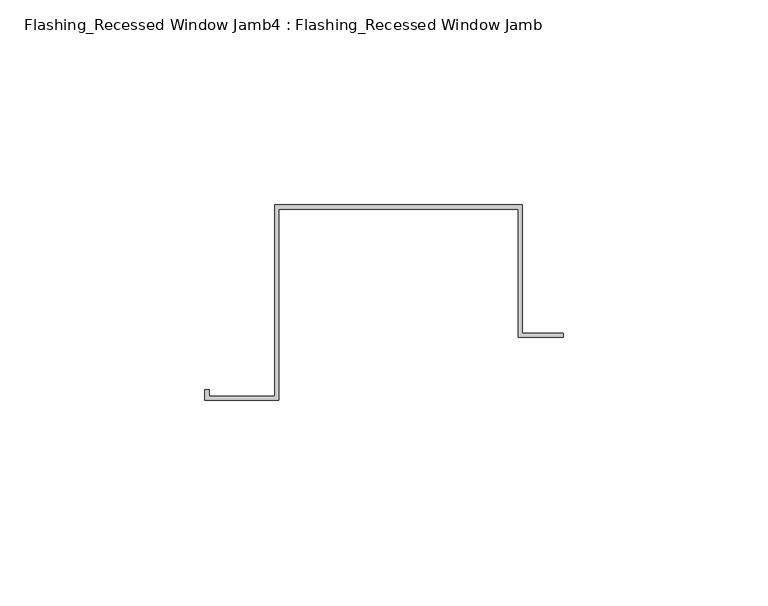
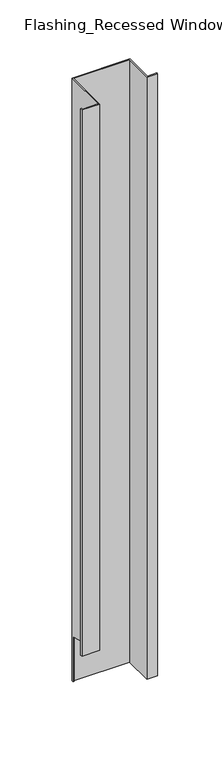
"""IFC4 building model written with IfcOpenShell, lengths in millimetres: proxy geometry, Flashing_Recessed Window Jamb4 : Flashing_Recessed Window Jamb."""

from ifc_helpers import new_model, si_unit, origin, place, context, project, spatial, faceted_brep, source, transform, mapped, element, save


def flashing_recessed_window_jamb4_flashing_recessed_window_jamb_ec922739(model_context):
    return source(origin(), model_context, "Body", "Brep", [
        faceted_brep([(8486.8470781, 627.4023812, -277.6721404), (8486.8470781, 658.7344915, -277.6721404), (8426.4791786, 658.7344915, -277.6721404), (8426.4791786, 612.0490096, -277.6721404), (8410.4479286, 612.0490096, -277.6721404), (8410.4479286, 613.5934881, -277.6721404), (8409.4479286, 613.5934881, -277.6721404), (8409.4479286, 611.0490096, -277.6721404), (8427.4791786, 611.0490096, -277.6721404), (8427.4791786, 657.7344915, -277.6721404), (8485.8470781, 657.7344915, -277.6721404), (8485.8470781, 626.4023812, -277.6721404), (8496.8470781, 626.4023812, -277.6721404), (8496.8470781, 627.4023812, -277.6721404), (8485.8470781, 626.4023812, -938.2016371), (8485.8470781, 657.7344915, -938.2016371), (8427.4791786, 657.7344915, -938.2016371), (8427.4791786, 656.8026399, -938.2016371), (8426.4791786, 656.8026399, -938.2016371), (8426.4791786, 658.7344915, -938.2016371), (8486.8470781, 658.7344915, -938.2016371), (8486.8470781, 627.4023812, -938.2016371), (8496.8470781, 627.4023812, -938.2016371), (8496.8470781, 626.4023812, -938.2016371), (8426.4791786, 656.8026399, -888.7682442), (8426.4791786, 612.0490096, -876.7765451), (8410.4479286, 612.0490096, -876.7765451), (8410.4479286, 613.5934881, -877.1903869), (8409.4479286, 613.5934881, -877.1903869), (8409.4479286, 611.0490096, -876.5085959), (8427.4791786, 611.0490096, -876.5085959), (8427.4791786, 656.8026399, -888.7682442)], [[[0, 1, 2, 3, 4, 5, 6, 7, 8, 9, 10, 11, 12, 13]], [[14, 15, 16, 17, 18, 19, 20, 21, 22, 23]], [[1, 0, 21, 20]], [[2, 1, 20, 19]], [[3, 2, 19, 18, 24, 25]], [[4, 3, 25, 26]], [[5, 4, 26, 27]], [[6, 5, 27, 28]], [[7, 6, 28, 29]], [[8, 7, 29, 30]], [[9, 8, 30, 31, 17, 16]], [[10, 9, 16, 15]], [[11, 10, 15, 14]], [[12, 11, 14, 23]], [[13, 12, 23, 22]], [[0, 13, 22, 21]], [[24, 31, 30, 29, 28, 27, 26, 25]], [[31, 24, 18, 17]]]),
    ])


if __name__ == "__main__":
    model = new_model("IFC4")
    model_context = context("Model", 3, world=origin())
    ifc_project = project(units=[si_unit("LENGTHUNIT", "METRE", prefix="MILLI")], contexts=[model_context])
    site = spatial("IfcSite", under=ifc_project)
    building = spatial("IfcBuilding", under=site)
    placement = place(None, origin())
    flashing_recessed_window_jamb4_flashing_recessed_window_jamb_shape = flashing_recessed_window_jamb4_flashing_recessed_window_jamb_ec922739(model_context)
    element("IfcBuildingElementProxy", 1, Name="Flashing_Recessed Window Jamb4 : Flashing_Recessed Window Jamb", ObjectType="Flashing_Recessed Window Jamb4 : Flashing_Recessed Window Jamb", at=placement, inside=building, context=model_context, shape_type="MappedRepresentation", body=[
        mapped(flashing_recessed_window_jamb4_flashing_recessed_window_jamb_shape, transform((0.0, 0.0, 0.0), x_axis=(1.0, 0.0, 0.0), y_axis=(0.0, 1.0, 0.0), z_axis=(0.0, 0.0, 1.0))),
    ])
    save(model, "model.ifc")
